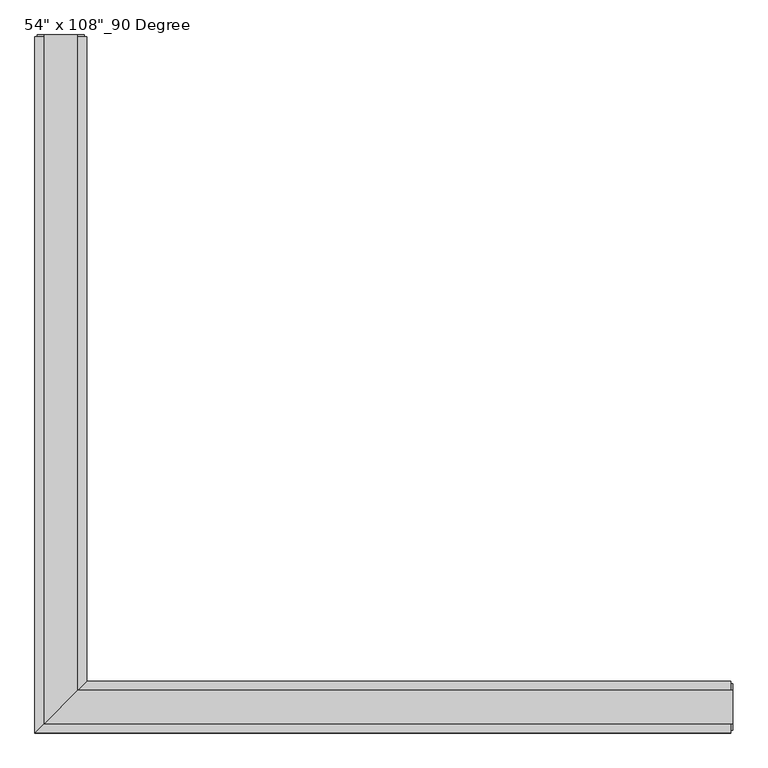
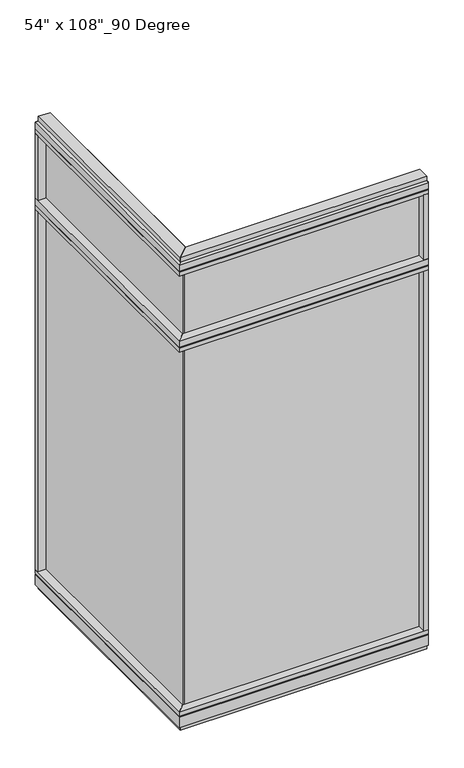
"""IFC4 building model written with IfcOpenShell, lengths in millimetres: furniture geometry."""

from ifc_helpers import new_model, si_unit, frame, origin, origin_with_axes, place, context, project, spatial, polyline, outline, extrude, faceted_brep, source, transform, mapped, element, save


def furniture_57873382(model_context):
    return source(origin(), model_context, "Body", "SolidModel", [
        extrude(outline(polyline([(-700.1165229, 1290.1202784), (-689.9565229, 1290.1202784), (-689.9565229, -9.5977216), (-700.1165229, -9.5977216), (-700.1165229, 1290.1202784)])), frame((0.0, 0.0, 2276.475), z_axis=(0.0, 0.0, 1.0), x_axis=(1.0, 0.0, 0.0)), (0.0, 0.0, 1.0), 355.6),
        extrude(outline(polyline([(-700.1165229, 1290.1202784), (-689.9565229, 1290.1202784), (-689.9565229, -9.5977216), (-700.1165229, -9.5977216), (-700.1165229, 1290.1202784)])), frame((0.0, 0.0, 120.523), z_axis=(0.0, 0.0, 1.0), x_axis=(1.0, 0.0, 0.0)), (0.0, 0.0, 1.0), 2114.677),
        extrude(outline(polyline([(-644.2365229, 1312.3452784), (-644.2365229, 46.2822784), (-745.8365229, -55.3177216), (-745.8365229, 1312.3452784), (-644.2365229, 1312.3452784)])), frame((0.0, 0.0, 2212.975), z_axis=(0.0, 0.0, 1.0), x_axis=(1.0, 0.0, 0.0)), (0.0, 0.0, 1.0), 22.225),
        faceted_brep([(-644.2365229, 46.2822784, 2240.153), (-644.2365229, 46.2822784, 2276.475), (-745.8365229, -55.3177216, 2276.475), (-745.8365229, -55.3177216, 2240.153), (-740.8835229, -50.3647216, 2240.153), (-740.8835229, -50.3647216, 2235.2), (-649.1895229, 41.3292784, 2235.2), (-649.1895229, 41.3292784, 2240.153), (-644.2365229, 1312.3452784, 2240.153), (-649.1895229, 1312.3452784, 2240.153), (-649.1895229, 1312.3452784, 2235.2), (-740.8835229, 1312.3452784, 2235.2), (-740.8835229, 1312.3452784, 2240.153), (-745.8365229, 1312.3452784, 2240.153), (-745.8365229, 1312.3452784, 2276.475), (-644.2365229, 1312.3452784, 2276.475)], [[[0, 1, 2, 3, 4, 5, 6, 7]], [[8, 9, 10, 11, 12, 13, 14, 15]], [[8, 0, 7, 9]], [[13, 3, 2, 14]], [[14, 2, 1, 15]], [[15, 1, 0, 8]], [[9, 7, 6, 10]], [[10, 6, 5, 11]], [[11, 5, 4, 12]], [[12, 4, 3, 13]]]),
        extrude(outline(polyline([(-745.8365229, 1290.1202784), (-745.8365229, 1312.3452784), (-644.2365229, 1312.3452784), (-644.2365229, 1290.1202784), (-745.8365229, 1290.1202784)])), frame((0.0, 0.0, 2276.475), z_axis=(0.0, 0.0, 1.0), x_axis=(1.0, 0.0, 0.0)), (0.0, 0.0, 1.0), 377.825),
        extrude(outline(polyline([(-644.2365229, 1312.3452784), (-644.2365229, 46.2822784), (-745.8365229, -55.3177216), (-745.8365229, 1312.3452784), (-644.2365229, 1312.3452784)])), frame((0.0, 0.0, 2654.3), z_axis=(0.0, 0.0, 1.0), x_axis=(1.0, 0.0, 0.0)), (0.0, 0.0, 1.0), 22.225),
        faceted_brep([(-644.2365229, 46.2822784, 2681.478), (-644.2365229, 46.2822784, 2717.8), (-745.8365229, -55.3177216, 2717.8), (-745.8365229, -55.3177216, 2681.478), (-740.8835229, -50.3647216, 2681.478), (-740.8835229, -50.3647216, 2676.525), (-649.1895229, 41.3292784, 2676.525), (-649.1895229, 41.3292784, 2681.478), (-644.2365229, 1312.3452784, 2681.478), (-649.1895229, 1312.3452784, 2681.478), (-649.1895229, 1312.3452784, 2676.525), (-740.8835229, 1312.3452784, 2676.525), (-740.8835229, 1312.3452784, 2681.478), (-745.8365229, 1312.3452784, 2681.478), (-745.8365229, 1312.3452784, 2717.8), (-644.2365229, 1312.3452784, 2717.8)], [[[0, 1, 2, 3, 4, 5, 6, 7]], [[8, 9, 10, 11, 12, 13, 14, 15]], [[8, 0, 7, 9]], [[13, 3, 2, 14]], [[14, 2, 1, 15]], [[15, 1, 0, 8]], [[9, 7, 6, 10]], [[10, 6, 5, 11]], [[11, 5, 4, 12]], [[12, 4, 3, 13]]]),
        extrude(outline(polyline([(-662.5245229, 1316.2822784), (-662.5245229, 27.9942784), (-727.5485229, -37.0297216), (-727.5485229, 1316.2822784), (-662.5245229, 1316.2822784)])), frame((0.0, 0.0, 2717.8), z_axis=(0.0, 0.0, 1.0), x_axis=(1.0, 0.0, 0.0)), (0.0, 0.0, 1.0), 25.4),
        faceted_brep([(-649.1895229, 41.3292784, 93.345), (-649.1895229, 41.3292784, 98.298), (-740.8835229, -50.3647216, 98.298), (-740.8835229, -50.3647216, 93.345), (-745.8365229, -55.3177216, 93.345), (-745.8365229, -55.3177216, 31.75), (-644.2365229, 46.2822784, 31.75), (-644.2365229, 46.2822784, 93.345), (-644.2365229, 1312.3452784, 93.345), (-644.2365229, 1312.3452784, 31.75), (-745.8365229, 1312.3452784, 31.75), (-745.8365229, 1312.3452784, 93.345), (-740.8835229, 1312.3452784, 93.345), (-740.8835229, 1312.3452784, 98.298), (-649.1895229, 1312.3452784, 98.298), (-649.1895229, 1312.3452784, 93.345)], [[[0, 1, 2, 3, 4, 5, 6, 7]], [[8, 9, 10, 11, 12, 13, 14, 15]], [[15, 0, 7, 8]], [[10, 5, 4, 11]], [[9, 6, 5, 10]], [[8, 7, 6, 9]], [[14, 1, 0, 15]], [[13, 2, 1, 14]], [[12, 3, 2, 13]], [[11, 4, 3, 12]]]),
        extrude(outline(polyline([(-644.2365229, 1312.3452784), (-644.2365229, 46.2822784), (-745.8365229, -55.3177216), (-745.8365229, 1312.3452784), (-644.2365229, 1312.3452784)])), frame((0.0, 0.0, 98.298), z_axis=(0.0, 0.0, 1.0), x_axis=(1.0, 0.0, 0.0)), (0.0, 0.0, 1.0), 22.225),
        extrude(outline(polyline([(-662.5245229, 1316.2822784), (-662.5245229, 27.9942784), (-727.5485229, -37.0297216), (-727.5485229, 1316.2822784), (-662.5245229, 1316.2822784)])), origin_with_axes(), (0.0, 0.0, 1.0), 31.75),
        extrude(outline(polyline([(-745.8365229, 1290.1202784), (-745.8365229, 1312.3452784), (-644.2365229, 1312.3452784), (-644.2365229, 1290.1202784), (-745.8365229, 1290.1202784)])), frame((0.0, 0.0, 120.523), z_axis=(0.0, 0.0, 1.0), x_axis=(1.0, 0.0, 0.0)), (0.0, 0.0, 1.0), 2092.452),
        extrude(outline(polyline([(-740.8835229, 1316.2822784), (-649.1895229, 1316.2822784), (-649.1895229, 1312.3452784), (-740.8835229, 1312.3452784), (-740.8835229, 1316.2822784)])), frame((0.0, 0.0, 31.75), z_axis=(0.0, 0.0, 1.0), x_axis=(1.0, 0.0, 0.0)), (0.0, 0.0, 1.0), 2686.05),
        extrude(outline(polyline([(599.6014771, -9.5977216), (-700.1165229, -9.5977216), (-700.1165229, 0.5622784), (599.6014771, 0.5622784), (599.6014771, -9.5977216)])), frame((0.0, 0.0, 2276.475), z_axis=(0.0, 0.0, 1.0), x_axis=(1.0, 0.0, 0.0)), (0.0, 0.0, 1.0), 355.6),
        extrude(outline(polyline([(599.6014771, -9.5977216), (-700.1165229, -9.5977216), (-700.1165229, 0.5622784), (599.6014771, 0.5622784), (599.6014771, -9.5977216)])), frame((0.0, 0.0, 120.523), z_axis=(0.0, 0.0, 1.0), x_axis=(1.0, 0.0, 0.0)), (0.0, 0.0, 1.0), 2114.677),
        extrude(outline(polyline([(621.8264771, 46.2822784), (621.8264771, -55.3177216), (-745.8365229, -55.3177216), (-644.2365229, 46.2822784), (621.8264771, 46.2822784)])), frame((0.0, 0.0, 2212.975), z_axis=(0.0, 0.0, 1.0), x_axis=(1.0, 0.0, 0.0)), (0.0, 0.0, 1.0), 22.225),
        faceted_brep([(-644.2365229, 46.2822784, 2240.153), (-649.1895229, 41.3292784, 2240.153), (-649.1895229, 41.3292784, 2235.2), (-740.8835229, -50.3647216, 2235.2), (-740.8835229, -50.3647216, 2240.153), (-745.8365229, -55.3177216, 2240.153), (-745.8365229, -55.3177216, 2276.475), (-644.2365229, 46.2822784, 2276.475), (621.8264771, 46.2822784, 2240.153), (621.8264771, 46.2822784, 2276.475), (621.8264771, -55.3177216, 2276.475), (621.8264771, -55.3177216, 2240.153), (621.8264771, -50.3647216, 2240.153), (621.8264771, -50.3647216, 2235.2), (621.8264771, 41.3292784, 2235.2), (621.8264771, 41.3292784, 2240.153)], [[[0, 1, 2, 3, 4, 5, 6, 7]], [[8, 9, 10, 11, 12, 13, 14, 15]], [[8, 15, 1, 0]], [[11, 10, 6, 5]], [[10, 9, 7, 6]], [[9, 8, 0, 7]], [[15, 14, 2, 1]], [[14, 13, 3, 2]], [[13, 12, 4, 3]], [[12, 11, 5, 4]]]),
        extrude(outline(polyline([(599.6014771, -55.3177216), (599.6014771, 46.2822784), (621.8264771, 46.2822784), (621.8264771, -55.3177216), (599.6014771, -55.3177216)])), frame((0.0, 0.0, 2276.475), z_axis=(0.0, 0.0, 1.0), x_axis=(1.0, 0.0, 0.0)), (0.0, 0.0, 1.0), 377.825),
        extrude(outline(polyline([(621.8264771, 46.2822784), (621.8264771, -55.3177216), (-745.8365229, -55.3177216), (-644.2365229, 46.2822784), (621.8264771, 46.2822784)])), frame((0.0, 0.0, 2654.3), z_axis=(0.0, 0.0, 1.0), x_axis=(1.0, 0.0, 0.0)), (0.0, 0.0, 1.0), 22.225),
        faceted_brep([(-644.2365229, 46.2822784, 2681.478), (-649.1895229, 41.3292784, 2681.478), (-649.1895229, 41.3292784, 2676.525), (-740.8835229, -50.3647216, 2676.525), (-740.8835229, -50.3647216, 2681.478), (-745.8365229, -55.3177216, 2681.478), (-745.8365229, -55.3177216, 2717.8), (-644.2365229, 46.2822784, 2717.8), (621.8264771, 46.2822784, 2681.478), (621.8264771, 46.2822784, 2717.8), (621.8264771, -55.3177216, 2717.8), (621.8264771, -55.3177216, 2681.478), (621.8264771, -50.3647216, 2681.478), (621.8264771, -50.3647216, 2676.525), (621.8264771, 41.3292784, 2676.525), (621.8264771, 41.3292784, 2681.478)], [[[0, 1, 2, 3, 4, 5, 6, 7]], [[8, 9, 10, 11, 12, 13, 14, 15]], [[8, 15, 1, 0]], [[11, 10, 6, 5]], [[10, 9, 7, 6]], [[9, 8, 0, 7]], [[15, 14, 2, 1]], [[14, 13, 3, 2]], [[13, 12, 4, 3]], [[12, 11, 5, 4]]]),
        extrude(outline(polyline([(625.7634771, 27.9942784), (625.7634771, -37.0297216), (-727.5485229, -37.0297216), (-662.5245229, 27.9942784), (625.7634771, 27.9942784)])), frame((0.0, 0.0, 2717.8), z_axis=(0.0, 0.0, 1.0), x_axis=(1.0, 0.0, 0.0)), (0.0, 0.0, 1.0), 25.4),
        faceted_brep([(-649.1895229, 41.3292784, 93.345), (-644.2365229, 46.2822784, 93.345), (-644.2365229, 46.2822784, 31.75), (-745.8365229, -55.3177216, 31.75), (-745.8365229, -55.3177216, 93.345), (-740.8835229, -50.3647216, 93.345), (-740.8835229, -50.3647216, 98.298), (-649.1895229, 41.3292784, 98.298), (621.8264771, 46.2822784, 93.345), (621.8264771, 41.3292784, 93.345), (621.8264771, 41.3292784, 98.298), (621.8264771, -50.3647216, 98.298), (621.8264771, -50.3647216, 93.345), (621.8264771, -55.3177216, 93.345), (621.8264771, -55.3177216, 31.75), (621.8264771, 46.2822784, 31.75)], [[[0, 1, 2, 3, 4, 5, 6, 7]], [[8, 9, 10, 11, 12, 13, 14, 15]], [[9, 8, 1, 0]], [[14, 13, 4, 3]], [[15, 14, 3, 2]], [[8, 15, 2, 1]], [[10, 9, 0, 7]], [[11, 10, 7, 6]], [[12, 11, 6, 5]], [[13, 12, 5, 4]]]),
        extrude(outline(polyline([(621.8264771, 46.2822784), (621.8264771, -55.3177216), (-745.8365229, -55.3177216), (-644.2365229, 46.2822784), (621.8264771, 46.2822784)])), frame((0.0, 0.0, 98.298), z_axis=(0.0, 0.0, 1.0), x_axis=(1.0, 0.0, 0.0)), (0.0, 0.0, 1.0), 22.225),
        extrude(outline(polyline([(625.7634771, 27.9942784), (625.7634771, -37.0297216), (-727.5485229, -37.0297216), (-662.5245229, 27.9942784), (625.7634771, 27.9942784)])), origin_with_axes(), (0.0, 0.0, 1.0), 31.75),
        extrude(outline(polyline([(599.6014771, -55.3177216), (599.6014771, 46.2822784), (621.8264771, 46.2822784), (621.8264771, -55.3177216), (599.6014771, -55.3177216)])), frame((0.0, 0.0, 120.523), z_axis=(0.0, 0.0, 1.0), x_axis=(1.0, 0.0, 0.0)), (0.0, 0.0, 1.0), 2092.452),
        extrude(outline(polyline([(625.7634771, -50.3647216), (621.8264771, -50.3647216), (621.8264771, 41.3292784), (625.7634771, 41.3292784), (625.7634771, -50.3647216)])), frame((0.0, 0.0, 31.75), z_axis=(0.0, 0.0, 1.0), x_axis=(1.0, 0.0, 0.0)), (0.0, 0.0, 1.0), 2686.05),
    ])


if __name__ == "__main__":
    model = new_model("IFC4")
    model_context = context("Model", 3, world=origin())
    ifc_project = project(units=[si_unit("LENGTHUNIT", "METRE", prefix="MILLI")], contexts=[model_context])
    site = spatial("IfcSite", under=ifc_project)
    building = spatial("IfcBuilding", under=site)
    placement = place(None, origin())
    furniture_shape = furniture_57873382(model_context)
    element("IfcFurniture", 1, ObjectType="54\" x 108\"_90 Degree", at=placement, inside=building, context=model_context, shape_type="MappedRepresentation", body=[
        mapped(furniture_shape, transform((0.0, 0.0, 0.0), x_axis=(1.0, 0.0, 0.0), y_axis=(0.0, 1.0, 0.0), z_axis=(0.0, 0.0, 1.0))),
    ])
    save(model, "model.ifc")
